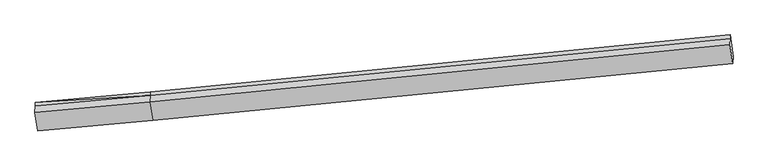
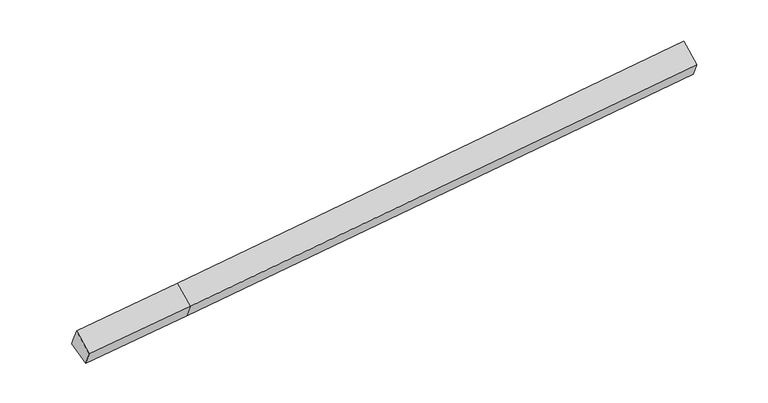
"""IFC4 building model written with IfcOpenShell, lengths in millimetres: proxy geometry."""

from ifc_helpers import new_model, si_unit, origin, place, context, project, spatial, faceted_brep, source, transform, mapped, element, save


def generic_models_96a34e4a(model_context):
    return source(origin(), model_context, "Body", "Brep", [
        faceted_brep([(-6925.853577, -2572.9422409, 1156.7880331), (-6997.6349673, -2013.8555518, 1414.9924211), (-4029.1151319, -1741.4763793, 1609.3349481), (-3957.3337416, -2300.5630684, 1351.1305601), (-7001.8338979, -2106.5240593, 1614.479054), (-4033.3140625, -1834.1448867, 1808.821581), (-7009.3060522, -2271.4311412, 1969.4729932), (-4040.7862168, -1999.0519687, 2163.8155202), (-6934.0869638, -2754.6493817, 1547.9473024), (-3965.5671284, -2482.2702092, 1742.2898295), (10918.8455019, -521.5614838, 3167.2869872), (10994.0645903, -1004.7797244, 2745.7612965), (11002.2979771, -823.0725836, 2354.6020271), (10930.5165868, -263.9858944, 2612.8064151), (10926.3176562, -356.6544019, 2812.293048)], [[[0, 1, 2, 3]], [[1, 4, 5]], [[4, 6, 7, 5]], [[6, 8, 9, 7]], [[8, 0, 3, 9]], [[10, 11, 12, 13, 14]], [[0, 8, 6, 4, 1]], [[5, 2, 1]], [[7, 9, 11, 10]], [[9, 3, 12, 11]], [[3, 2, 13, 12]], [[2, 5, 14, 13]], [[5, 7, 10, 14]]]),
    ])


if __name__ == "__main__":
    model = new_model("IFC4")
    model_context = context("Model", 3, world=origin())
    ifc_project = project(units=[si_unit("LENGTHUNIT", "METRE", prefix="MILLI")], contexts=[model_context])
    site = spatial("IfcSite", under=ifc_project)
    building = spatial("IfcBuilding", under=site)
    placement = place(None, origin())
    generic_models_shape = generic_models_96a34e4a(model_context)
    element("IfcBuildingElementProxy", 1, Name="Generic Models", at=placement, inside=building, context=model_context, shape_type="MappedRepresentation", body=[
        mapped(generic_models_shape, transform((0.0, 0.0, 0.0), x_axis=(1.0, 0.0, 0.0), y_axis=(0.0, 1.0, 0.0), z_axis=(0.0, 0.0, 1.0))),
    ])
    save(model, "model.ifc")
